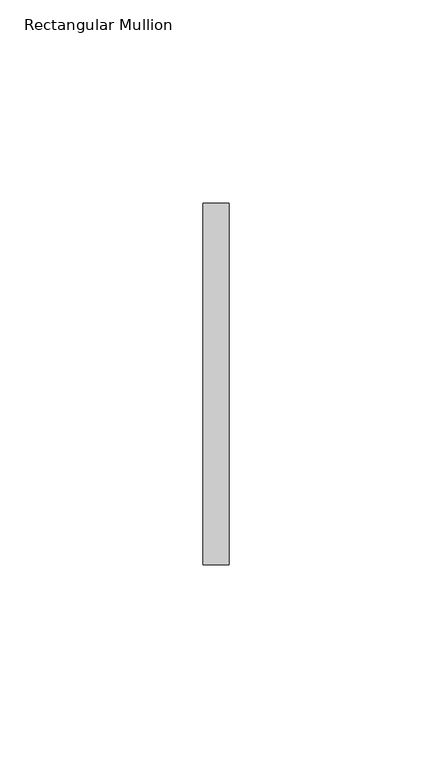
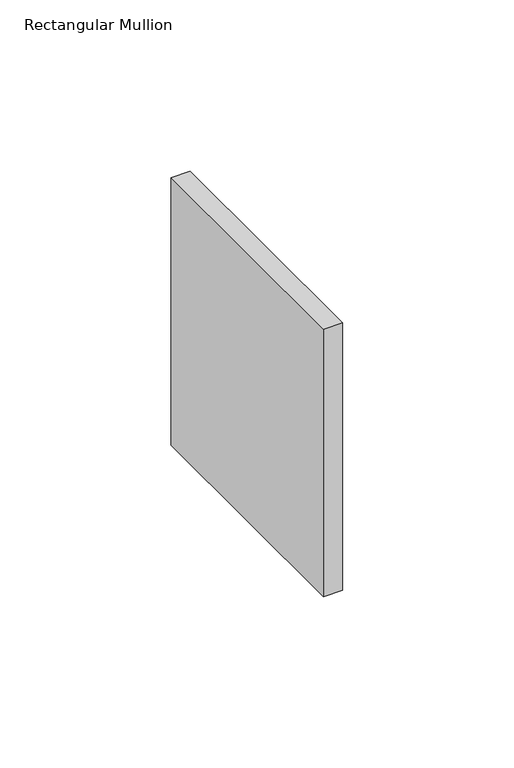
"""IFC4 building model written with IfcOpenShell, lengths in millimetres: member geometry, Rectangular Mullion."""

from ifc_helpers import new_model, si_unit, frame, origin, place, context, project, spatial, polyline, outline, extrude, source, transform, mapped, element, save


def rectangular_mullion_6ab244a0(model_context):
    return source(origin(), model_context, "Body", "SweptSolid", [
        extrude(outline(polyline([(0.0, 44.45), (0.0, -44.45), (-6.35, -44.45), (-6.35, 44.45), (0.0, 44.45)])), frame((0.0, 0.0, -95.25), z_axis=(0.0, 0.0, 1.0), x_axis=(1.0, 0.0, 0.0)), (0.0, 0.0, 1.0), 95.25),
    ])


if __name__ == "__main__":
    model = new_model("IFC4")
    model_context = context("Model", 3, world=origin())
    ifc_project = project(units=[si_unit("LENGTHUNIT", "METRE", prefix="MILLI")], contexts=[model_context])
    site = spatial("IfcSite", under=ifc_project)
    building = spatial("IfcBuilding", under=site)
    placement = place(None, origin())
    rectangular_mullion_shape = rectangular_mullion_6ab244a0(model_context)
    element("IfcMember", 1, ObjectType="Rectangular Mullion", at=placement, inside=building, context=model_context, shape_type="MappedRepresentation", body=[
        mapped(rectangular_mullion_shape, transform((0.0, 0.0, 0.0), x_axis=(1.0, 0.0, 0.0), y_axis=(0.0, 1.0, 0.0), z_axis=(0.0, 0.0, 1.0))),
    ])
    save(model, "model.ifc")
